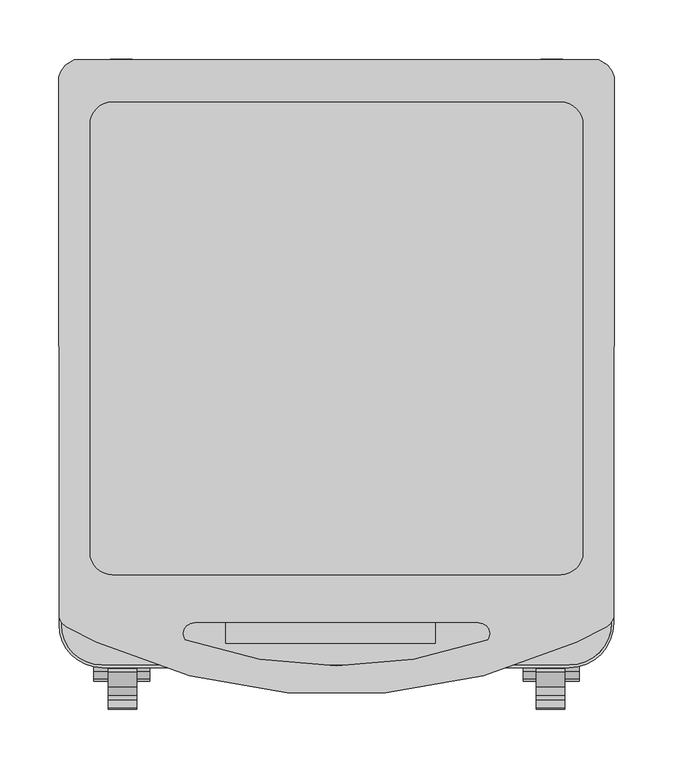
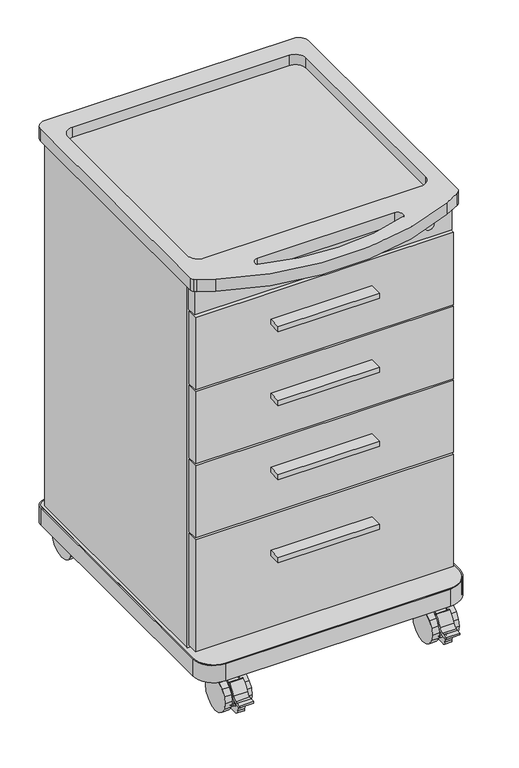
"""IFC4 building model written with IfcOpenShell, lengths in millimetres: furniture geometry."""

from ifc_helpers import new_model, si_unit, point, frame, frame_2d, origin, place, context, project, spatial, polyline, circle_curve, trimmed, segment, composite_curve, outline, extrude, source, transform, mapped, element, save
from ifc_brep_helpers import plane_surface, cylinder_surface, revolved_surface, advanced_brep


def furniture_c8209ec2(model_context):
    return source(origin(), model_context, "Body", "SolidModel", [
        extrude(outline(polyline([(83.7683943, -262.4708916), (-94.0316057, -262.4708916), (-94.0316057, -240.2458916), (83.7683943, -240.2458916), (83.7683943, -262.4708916)])), frame((0.0, 0.0, 662.6253971), z_axis=(0.0, 0.0, 1.0), x_axis=(1.0, 0.0, 0.0)), (0.0, 0.0, 1.0), 9.525),
        extrude(outline(polyline([(83.7683943, -262.4708916), (-94.0316057, -262.4708916), (-94.0316057, -240.2458916), (83.7683943, -240.2458916), (83.7683943, -262.4708916)])), frame((0.0, 0.0, 525.0844102), z_axis=(0.0, 0.0, 1.0), x_axis=(1.0, 0.0, 0.0)), (0.0, 0.0, 1.0), 9.525),
        extrude(outline(polyline([(83.7683943, -262.4708916), (-94.0316057, -262.4708916), (-94.0316057, -240.2458916), (83.7683943, -240.2458916), (83.7683943, -262.4708916)])), frame((0.0, 0.0, 387.5688214), z_axis=(0.0, 0.0, 1.0), x_axis=(1.0, 0.0, 0.0)), (0.0, 0.0, 1.0), 9.525),
        extrude(outline(polyline([(83.7683943, -262.4708916), (-94.0316057, -262.4708916), (-94.0316057, -240.2458916), (83.7683943, -240.2458916), (83.7683943, -262.4708916)])), frame((0.0, 0.0, 233.0859544), z_axis=(0.0, 0.0, 1.0), x_axis=(1.0, 0.0, 0.0)), (0.0, 0.0, 1.0), 9.525),
        extrude(outline(polyline([(-179.0994786, 219.6339896), (-180.6568326, 218.5933918), (-182.493839, 218.227989), (-184.3308635, 218.5933918), (-185.8882175, 219.6339896), (-186.9287972, 221.1913255), (-187.2942, 223.02835), (-186.9287972, 224.8653745), (-185.8882008, 226.422724), (-184.3308476, 227.4633148), (-182.4938432, 227.8287134), (-180.6568145, 227.4633082), (-179.099465, 226.4227118), (-178.058887, 224.8653715), (-177.6934885, 223.0283414), (-178.0588808, 221.1913255), (-179.0994786, 219.6339896)])), frame((0.0, 0.0, 64.4644836), z_axis=(0.0, 0.0, 1.0), x_axis=(1.0, 0.0, 0.0)), (0.0, 0.0, 1.0), 18.4394813),
        extrude(outline(polyline([(-179.5331367, 215.4912374), (-182.5867294, 214.8838435), (-185.6403221, 215.4912374), (-188.2290267, 217.2209647), (-189.9587358, 219.8096693), (-190.5661479, 222.8632438), (-189.9587358, 225.9168365), (-188.2290267, 228.5055411), (-185.6403221, 230.2352684), (-182.5867294, 230.8426623), (-179.5331367, 230.2352684), (-176.9444321, 228.5055411), (-175.214723, 225.9168365), (-174.6073109, 222.8632438), (-175.214723, 219.8096693), (-176.9444321, 217.2209647), (-179.5331367, 215.4912374)])), frame((0.0, 0.0, 42.749396), z_axis=(0.0, 0.0, 1.0), x_axis=(1.0, 0.0, 0.0)), (0.0, 0.0, 1.0), 21.7150876),
        extrude(outline(polyline([(231.0669235, 17.6956967), (176.8415253, 20.1710389), (173.7398433, 19.5510005), (172.2845905, 29.9669209), (174.5643932, 41.4282898), (181.166988, 51.5050866), (191.2307996, 58.3368189), (203.0283535, 60.6446177), (214.8543395, 58.3376546), (224.7952116, 51.6771827), (231.3835631, 41.6915095), (233.7329976, 30.0477231), (231.0669235, 17.6956967)])), frame((-191.9948397, 0.0, 0.0), z_axis=(1.0, 0.0, 0.0), x_axis=(0.0, 1.0, 0.0)), (0.0, 0.0, 1.0), 18.61527),
        extrude(outline(composite_curve([segment(polyline([(165.4137527, 15.3668888), (161.2879325, 29.389165), (160.8738953, 30.311933), (159.6567821, 31.3792302), (158.5488192, 31.6764368)]), True, "CONTINUOUS"), segment(trimmed(circle_curve(frame_2d((152.3525742, 65.2351803)), 34.125983), [point((158.5488192, 31.6764368))], [point((164.1098282, 33.1984873))], True, "CARTESIAN"), True, "CONTINUOUS"), segment(trimmed(circle_curve(frame_2d((159.3787246, 46.0900108)), 13.7322511), [point((164.1098282, 33.1984873))], [point((171.9941479, 40.6654544))], True, "CARTESIAN"), True, "CONTINUOUS"), segment(polyline([(171.9941479, 40.6654544), (170.8091849, 36.053247), (170.2344431, 31.7921728), (169.4784028, 30.0308182), (170.9047692, 20.6240886), (176.089609, 18.2169715), (179.2383449, 19.3801216), (188.5056208, 11.9747256), (187.7807559, 7.9109196), (180.0693261, 8.7502409), (171.2554201, 8.5984367), (170.2635475, 7.9968825), (165.8474834, 11.0963521), (165.4137527, 15.3668888)]), True, "CONTINUOUS")], self_intersect=False)), frame((-188.6020166, 0.0, 0.0), z_axis=(1.0, 0.0, 0.0), x_axis=(0.0, 1.0, 0.0)), (0.0, 0.0, 1.0), 12.1089134),
        extrude(outline(composite_curve([segment(trimmed(circle_curve(frame_2d((209.194744, 25.2798481)), 44.5006169), [point((168.076378, 42.2970418))], [point((181.2293533, 59.8954779))], False, "CARTESIAN"), True, "CONTINUOUS"), segment(trimmed(circle_curve(frame_2d((181.2293533, 57.3575877)), 2.5378903), [point((181.2293533, 59.8954779))], [point((183.7672435, 57.3575877))], False, "CARTESIAN"), True, "CONTINUOUS"), segment(trimmed(circle_curve(frame_2d((204.4798136, 30.3479474)), 34.0372036), [point((183.7672435, 57.3575877))], [point((172.3439025, 41.5646511))], True, "CARTESIAN"), True, "CONTINUOUS"), segment(trimmed(circle_curve(frame_2d((159.3787246, 46.0900108)), 13.7322511), [point((172.3439025, 41.5646511))], [point((164.1098282, 33.1984873))], False, "CARTESIAN"), True, "CONTINUOUS"), segment(trimmed(circle_curve(frame_2d((152.3525742, 65.2351803)), 34.125983), [point((164.1098282, 33.1984873))], [point((151.3259993, 31.1246414))], False, "CARTESIAN"), True, "CONTINUOUS"), segment(trimmed(circle_curve(frame_2d((151.7887278, 33.2391324)), 2.1645299), [point((151.3259993, 31.1246414))], [point((150.5701461, 35.0280563))], False, "CARTESIAN"), True, "CONTINUOUS"), segment(polyline([(150.5701461, 35.0280563), (157.4525006, 36.0478169), (161.3842622, 36.8186566)]), True, "CONTINUOUS"), segment(trimmed(circle_curve(frame_2d((159.6244174, 45.7949593)), 9.1471889), [point((161.3842622, 36.8186566))], [point((168.076378, 42.2970418))], True, "CARTESIAN"), True, "CONTINUOUS")], self_intersect=False)), frame((-193.7606684, 0.0, 0.0), z_axis=(1.0, 0.0, 0.0), x_axis=(0.0, 1.0, 0.0)), (0.0, 0.0, 1.0), 24.2623725),
        extrude(outline(polyline([(191.5804694, 2.2810114), (181.8597692, 8.7761847), (175.3645806, 18.4968985), (173.0837787, 29.9632624), (175.3645806, 41.4296251), (181.8597692, 51.150339), (191.5804694, 57.6455139), (203.046848, 59.9263158), (214.5132084, 57.6455139), (224.2339269, 51.150339), (230.7290973, 41.4296251), (233.0098992, 29.9632624), (230.7290973, 18.4968985), (224.2339269, 8.7761847), (214.5132084, 2.2810114), (203.046848, 0.0002098), (191.5804694, 2.2810114)])), frame((-171.1196031, 0.0, 0.0), z_axis=(1.0, 0.0, 0.0), x_axis=(0.0, 1.0, 0.0)), (0.0, 0.0, 1.0), 12.4101684),
        extrude(outline(polyline([(191.5804694, 2.2810114), (181.8597692, 8.7761847), (175.3645806, 18.4968985), (173.0837787, 29.9632624), (175.3645806, 41.4296251), (181.8597692, 51.150339), (191.5804694, 57.6455139), (203.046848, 59.9263158), (214.5132084, 57.6455139), (224.2339269, 51.150339), (230.7290973, 41.4296251), (233.0098992, 29.9632624), (230.7290973, 18.4968985), (224.2339269, 8.7761847), (214.5132084, 2.2810114), (203.046848, 0.0002098), (191.5804694, 2.2810114)])), frame((-206.088568, 0.0, 0.0), z_axis=(1.0, 0.0, 0.0), x_axis=(0.0, 1.0, 0.0)), (0.0, 0.0, 1.0), 12.3278995),
        extrude(outline(polyline([(179.0994786, 219.6339896), (178.0588808, 221.1913255), (177.6934885, 223.0283414), (178.058887, 224.8653715), (179.099465, 226.4227118), (180.6568145, 227.4633082), (182.4938432, 227.8287134), (184.3308476, 227.4633148), (185.8882008, 226.422724), (186.9287972, 224.8653745), (187.2942, 223.02835), (186.9287972, 221.1913255), (185.8882175, 219.6339896), (184.3308635, 218.5933918), (182.493839, 218.227989), (180.6568326, 218.5933918), (179.0994786, 219.6339896)])), frame((0.0, 0.0, 64.4644836), z_axis=(0.0, 0.0, 1.0), x_axis=(1.0, 0.0, 0.0)), (0.0, 0.0, 1.0), 18.4394813),
        extrude(outline(polyline([(179.5331367, 215.4912374), (176.9444321, 217.2209647), (175.214723, 219.8096693), (174.6073109, 222.8632438), (175.214723, 225.9168365), (176.9444321, 228.5055411), (179.5331367, 230.2352684), (182.5867294, 230.8426623), (185.6403221, 230.2352684), (188.2290267, 228.5055411), (189.9587358, 225.9168365), (190.5661479, 222.8632438), (189.9587358, 219.8096693), (188.2290267, 217.2209647), (185.6403221, 215.4912374), (182.5867294, 214.8838435), (179.5331367, 215.4912374)])), frame((0.0, 0.0, 42.749396), z_axis=(0.0, 0.0, 1.0), x_axis=(1.0, 0.0, 0.0)), (0.0, 0.0, 1.0), 21.7150876),
        extrude(outline(polyline([(231.0669235, 17.6956967), (176.8415253, 20.1710389), (173.7398433, 19.5510005), (172.2845905, 29.9669209), (174.5643932, 41.4282898), (181.166988, 51.5050866), (191.2307996, 58.3368189), (203.0283535, 60.6446177), (214.8543395, 58.3376546), (224.7952116, 51.6771827), (231.3835631, 41.6915095), (233.7329976, 30.0477231), (231.0669235, 17.6956967)])), frame((173.3795697, 0.0, 0.0), z_axis=(1.0, 0.0, 0.0), x_axis=(0.0, 1.0, 0.0)), (0.0, 0.0, 1.0), 18.61527),
        extrude(outline(composite_curve([segment(polyline([(165.4137527, 15.3668888), (161.2879325, 29.389165), (160.8738953, 30.311933), (159.6567821, 31.3792302), (158.5488192, 31.6764368)]), True, "CONTINUOUS"), segment(trimmed(circle_curve(frame_2d((152.3525742, 65.2351803)), 34.125983), [point((158.5488192, 31.6764368))], [point((164.1098282, 33.1984873))], True, "CARTESIAN"), True, "CONTINUOUS"), segment(trimmed(circle_curve(frame_2d((159.3787246, 46.0900108)), 13.7322511), [point((164.1098282, 33.1984873))], [point((171.9941479, 40.6654544))], True, "CARTESIAN"), True, "CONTINUOUS"), segment(polyline([(171.9941479, 40.6654544), (170.8091849, 36.053247), (170.2344431, 31.7921728), (169.4784028, 30.0308182), (170.9047692, 20.6240886), (176.089609, 18.2169715), (179.2383449, 19.3801216), (188.5056208, 11.9747256), (187.7807559, 7.9109196), (180.0693261, 8.7502409), (171.2554201, 8.5984367), (170.2635475, 7.9968825), (165.8474834, 11.0963521), (165.4137527, 15.3668888)]), True, "CONTINUOUS")], self_intersect=False)), frame((176.4931031, 0.0, 0.0), z_axis=(1.0, 0.0, 0.0), x_axis=(0.0, 1.0, 0.0)), (0.0, 0.0, 1.0), 12.1089134),
        extrude(outline(composite_curve([segment(trimmed(circle_curve(frame_2d((209.194744, 25.2798481)), 44.5006169), [point((168.076378, 42.2970418))], [point((181.2293533, 59.8954779))], False, "CARTESIAN"), True, "CONTINUOUS"), segment(trimmed(circle_curve(frame_2d((181.2293533, 57.3575877)), 2.5378903), [point((181.2293533, 59.8954779))], [point((183.7672435, 57.3575877))], False, "CARTESIAN"), True, "CONTINUOUS"), segment(trimmed(circle_curve(frame_2d((204.4798136, 30.3479474)), 34.0372036), [point((183.7672435, 57.3575877))], [point((172.3439025, 41.5646511))], True, "CARTESIAN"), True, "CONTINUOUS"), segment(trimmed(circle_curve(frame_2d((159.3787246, 46.0900108)), 13.7322511), [point((172.3439025, 41.5646511))], [point((164.1098282, 33.1984873))], False, "CARTESIAN"), True, "CONTINUOUS"), segment(trimmed(circle_curve(frame_2d((152.3525742, 65.2351803)), 34.125983), [point((164.1098282, 33.1984873))], [point((151.3259993, 31.1246414))], False, "CARTESIAN"), True, "CONTINUOUS"), segment(trimmed(circle_curve(frame_2d((151.7887278, 33.2391324)), 2.1645299), [point((151.3259993, 31.1246414))], [point((150.5701461, 35.0280563))], False, "CARTESIAN"), True, "CONTINUOUS"), segment(polyline([(150.5701461, 35.0280563), (157.4525006, 36.0478169), (161.3842622, 36.8186566)]), True, "CONTINUOUS"), segment(trimmed(circle_curve(frame_2d((159.6244174, 45.7949593)), 9.1471889), [point((161.3842622, 36.8186566))], [point((168.076378, 42.2970418))], True, "CARTESIAN"), True, "CONTINUOUS")], self_intersect=False)), frame((169.4982959, 0.0, 0.0), z_axis=(1.0, 0.0, 0.0), x_axis=(0.0, 1.0, 0.0)), (0.0, 0.0, 1.0), 24.2623725),
        extrude(outline(polyline([(191.5804694, 2.2810114), (181.8597692, 8.7761847), (175.3645806, 18.4968985), (173.0837787, 29.9632624), (175.3645806, 41.4296251), (181.8597692, 51.150339), (191.5804694, 57.6455139), (203.046848, 59.9263158), (214.5132084, 57.6455139), (224.2339269, 51.150339), (230.7290973, 41.4296251), (233.0098992, 29.9632624), (230.7290973, 18.4968985), (224.2339269, 8.7761847), (214.5132084, 2.2810114), (203.046848, 0.0002098), (191.5804694, 2.2810114)])), frame((158.7094347, 0.0, 0.0), z_axis=(1.0, 0.0, 0.0), x_axis=(0.0, 1.0, 0.0)), (0.0, 0.0, 1.0), 12.4101684),
        extrude(outline(polyline([(191.5804694, 2.2810114), (181.8597692, 8.7761847), (175.3645806, 18.4968985), (173.0837787, 29.9632624), (175.3645806, 41.4296251), (181.8597692, 51.150339), (191.5804694, 57.6455139), (203.046848, 59.9263158), (214.5132084, 57.6455139), (224.2339269, 51.150339), (230.7290973, 41.4296251), (233.0098992, 29.9632624), (230.7290973, 18.4968985), (224.2339269, 8.7761847), (214.5132084, 2.2810114), (203.046848, 0.0002098), (191.5804694, 2.2810114)])), frame((193.7606684, 0.0, 0.0), z_axis=(1.0, 0.0, 0.0), x_axis=(0.0, 1.0, 0.0)), (0.0, 0.0, 1.0), 12.3278995),
        extrude(outline(polyline([(179.0994786, -248.2925117), (178.0588808, -246.7351758), (177.6934885, -244.8981599), (178.058887, -243.0611298), (179.099465, -241.5037895), (180.6568145, -240.463193), (182.4938432, -240.0977879), (184.3308476, -240.4631865), (185.8882008, -241.5037773), (186.9287972, -243.0611268), (187.2942, -244.8981513), (186.9287972, -246.7351758), (185.8882175, -248.2925117), (184.3308635, -249.3331095), (182.493839, -249.6985123), (180.6568326, -249.3331095), (179.0994786, -248.2925117)])), frame((0.0, 0.0, 64.4644836), z_axis=(0.0, 0.0, 1.0), x_axis=(1.0, 0.0, 0.0)), (0.0, 0.0, 1.0), 18.4394813),
        extrude(outline(polyline([(179.5331367, -252.4352639), (176.9444321, -250.7055366), (175.214723, -248.116832), (174.6073109, -245.0632575), (175.214723, -242.0096648), (176.9444321, -239.4209601), (179.5331367, -237.6912329), (182.5867294, -237.083839), (185.6403221, -237.6912329), (188.2290267, -239.4209601), (189.9587358, -242.0096648), (190.5661479, -245.0632575), (189.9587358, -248.116832), (188.2290267, -250.7055366), (185.6403221, -252.4352639), (182.5867294, -253.0426578), (179.5331367, -252.4352639)])), frame((0.0, 0.0, 42.749396), z_axis=(0.0, 0.0, 1.0), x_axis=(1.0, 0.0, 0.0)), (0.0, 0.0, 1.0), 21.7150876),
        extrude(outline(polyline([(-236.8595778, 17.6956967), (-291.084976, 20.1710389), (-294.186658, 19.5510005), (-295.6419107, 29.9669209), (-293.362108, 41.4282898), (-286.7595132, 51.5050866), (-276.6957016, 58.3368189), (-264.8981478, 60.6446177), (-253.0721618, 58.3376546), (-243.1312896, 51.6771827), (-236.5429381, 41.6915095), (-234.1935037, 30.0477231), (-236.8595778, 17.6956967)])), frame((173.3795697, 0.0, 0.0), z_axis=(1.0, 0.0, 0.0), x_axis=(0.0, 1.0, 0.0)), (0.0, 0.0, 1.0), 18.61527),
        extrude(outline(composite_curve([segment(polyline([(-302.5127486, 15.3668888), (-306.6385687, 29.389165), (-307.052606, 30.311933), (-308.2697192, 31.3792302), (-309.3776821, 31.6764368)]), True, "CONTINUOUS"), segment(trimmed(circle_curve(frame_2d((-315.573927, 65.2351803)), 34.125983), [point((-309.3776821, 31.6764368))], [point((-303.816673, 33.1984873))], True, "CARTESIAN"), True, "CONTINUOUS"), segment(trimmed(circle_curve(frame_2d((-308.5477767, 46.0900108)), 13.7322511), [point((-303.816673, 33.1984873))], [point((-295.9323533, 40.6654544))], True, "CARTESIAN"), True, "CONTINUOUS"), segment(polyline([(-295.9323533, 40.6654544), (-297.1173164, 36.053247), (-297.6920581, 31.7921728), (-298.4480985, 30.0308182), (-297.021732, 20.6240886), (-291.8368923, 18.2169715), (-288.6881564, 19.3801216), (-279.4208805, 11.9747256), (-280.1457454, 7.9109196), (-287.8571752, 8.7502409), (-296.6710812, 8.5984367), (-297.6629538, 7.9968825), (-302.0790178, 11.0963521), (-302.5127486, 15.3668888)]), True, "CONTINUOUS")], self_intersect=False)), frame((176.4931031, 0.0, 0.0), z_axis=(1.0, 0.0, 0.0), x_axis=(0.0, 1.0, 0.0)), (0.0, 0.0, 1.0), 12.1089134),
        extrude(outline(composite_curve([segment(trimmed(circle_curve(frame_2d((-258.7317573, 25.2798481)), 44.5006169), [point((-299.8501233, 42.2970418))], [point((-286.697148, 59.8954779))], False, "CARTESIAN"), True, "CONTINUOUS"), segment(trimmed(circle_curve(frame_2d((-286.697148, 57.3575877)), 2.5378903), [point((-286.697148, 59.8954779))], [point((-284.1592577, 57.3575877))], False, "CARTESIAN"), True, "CONTINUOUS"), segment(trimmed(circle_curve(frame_2d((-263.4466876, 30.3479474)), 34.0372036), [point((-284.1592577, 57.3575877))], [point((-295.5825988, 41.5646511))], True, "CARTESIAN"), True, "CONTINUOUS"), segment(trimmed(circle_curve(frame_2d((-308.5477767, 46.0900108)), 13.7322511), [point((-295.5825988, 41.5646511))], [point((-303.816673, 33.1984873))], False, "CARTESIAN"), True, "CONTINUOUS"), segment(trimmed(circle_curve(frame_2d((-315.573927, 65.2351803)), 34.125983), [point((-303.816673, 33.1984873))], [point((-316.600502, 31.1246414))], False, "CARTESIAN"), True, "CONTINUOUS"), segment(trimmed(circle_curve(frame_2d((-316.1377734, 33.2391324)), 2.1645299), [point((-316.600502, 31.1246414))], [point((-317.3563551, 35.0280563))], False, "CARTESIAN"), True, "CONTINUOUS"), segment(polyline([(-317.3563551, 35.0280563), (-310.4740007, 36.0478169), (-306.542239, 36.8186566)]), True, "CONTINUOUS"), segment(trimmed(circle_curve(frame_2d((-308.3020839, 45.7949593)), 9.1471889), [point((-306.542239, 36.8186566))], [point((-299.8501233, 42.2970418))], True, "CARTESIAN"), True, "CONTINUOUS")], self_intersect=False)), frame((169.4982959, 0.0, 0.0), z_axis=(1.0, 0.0, 0.0), x_axis=(0.0, 1.0, 0.0)), (0.0, 0.0, 1.0), 24.2623725),
        extrude(outline(polyline([(-276.3460319, 2.2810114), (-286.0667321, 8.7761847), (-292.5619207, 18.4968985), (-294.8427226, 29.9632624), (-292.5619207, 41.4296251), (-286.0667321, 51.150339), (-276.3460319, 57.6455139), (-264.8796533, 59.9263158), (-253.4132928, 57.6455139), (-243.6925744, 51.150339), (-237.197404, 41.4296251), (-234.9166021, 29.9632624), (-237.197404, 18.4968985), (-243.6925744, 8.7761847), (-253.4132928, 2.2810114), (-264.8796533, 0.0002098), (-276.3460319, 2.2810114)])), frame((158.7094347, 0.0, 0.0), z_axis=(1.0, 0.0, 0.0), x_axis=(0.0, 1.0, 0.0)), (0.0, 0.0, 1.0), 12.4101684),
        extrude(outline(polyline([(-276.3460319, 2.2810114), (-286.0667321, 8.7761847), (-292.5619207, 18.4968985), (-294.8427226, 29.9632624), (-292.5619207, 41.4296251), (-286.0667321, 51.150339), (-276.3460319, 57.6455139), (-264.8796533, 59.9263158), (-253.4132928, 57.6455139), (-243.6925744, 51.150339), (-237.197404, 41.4296251), (-234.9166021, 29.9632624), (-237.197404, 18.4968985), (-243.6925744, 8.7761847), (-253.4132928, 2.2810114), (-264.8796533, 0.0002098), (-276.3460319, 2.2810114)])), frame((193.7606684, 0.0, 0.0), z_axis=(1.0, 0.0, 0.0), x_axis=(0.0, 1.0, 0.0)), (0.0, 0.0, 1.0), 12.3278995),
        extrude(outline(polyline([(-179.0994786, -248.2925117), (-180.6568326, -249.3331095), (-182.493839, -249.6985123), (-184.3308635, -249.3331095), (-185.8882175, -248.2925117), (-186.9287972, -246.7351758), (-187.2942, -244.8981513), (-186.9287972, -243.0611268), (-185.8882008, -241.5037773), (-184.3308476, -240.4631865), (-182.4938432, -240.0977879), (-180.6568145, -240.463193), (-179.099465, -241.5037895), (-178.058887, -243.0611298), (-177.6934885, -244.8981599), (-178.0588808, -246.7351758), (-179.0994786, -248.2925117)])), frame((0.0, 0.0, 64.4644836), z_axis=(0.0, 0.0, 1.0), x_axis=(1.0, 0.0, 0.0)), (0.0, 0.0, 1.0), 18.4394813),
        extrude(outline(polyline([(-179.5331367, -252.4352639), (-182.5867294, -253.0426578), (-185.6403221, -252.4352639), (-188.2290267, -250.7055366), (-189.9587358, -248.116832), (-190.5661479, -245.0632575), (-189.9587358, -242.0096648), (-188.2290267, -239.4209601), (-185.6403221, -237.6912329), (-182.5867294, -237.083839), (-179.5331367, -237.6912329), (-176.9444321, -239.4209601), (-175.214723, -242.0096648), (-174.6073109, -245.0632575), (-175.214723, -248.116832), (-176.9444321, -250.7055366), (-179.5331367, -252.4352639)])), frame((0.0, 0.0, 42.749396), z_axis=(0.0, 0.0, 1.0), x_axis=(1.0, 0.0, 0.0)), (0.0, 0.0, 1.0), 21.7150876),
        extrude(outline(polyline([(-236.8595778, 17.6956967), (-291.084976, 20.1710389), (-294.186658, 19.5510005), (-295.6419107, 29.9669209), (-293.362108, 41.4282898), (-286.7595132, 51.5050866), (-276.6957016, 58.3368189), (-264.8981478, 60.6446177), (-253.0721618, 58.3376546), (-243.1312896, 51.6771827), (-236.5429381, 41.6915095), (-234.1935037, 30.0477231), (-236.8595778, 17.6956967)])), frame((-191.9948397, 0.0, 0.0), z_axis=(1.0, 0.0, 0.0), x_axis=(0.0, 1.0, 0.0)), (0.0, 0.0, 1.0), 18.61527),
        extrude(outline(composite_curve([segment(polyline([(-302.5127486, 15.3668888), (-306.6385687, 29.389165), (-307.052606, 30.311933), (-308.2697192, 31.3792302), (-309.3776821, 31.6764368)]), True, "CONTINUOUS"), segment(trimmed(circle_curve(frame_2d((-315.573927, 65.2351803)), 34.125983), [point((-309.3776821, 31.6764368))], [point((-303.816673, 33.1984873))], True, "CARTESIAN"), True, "CONTINUOUS"), segment(trimmed(circle_curve(frame_2d((-308.5477767, 46.0900108)), 13.7322511), [point((-303.816673, 33.1984873))], [point((-295.9323533, 40.6654544))], True, "CARTESIAN"), True, "CONTINUOUS"), segment(polyline([(-295.9323533, 40.6654544), (-297.1173164, 36.053247), (-297.6920581, 31.7921728), (-298.4480985, 30.0308182), (-297.021732, 20.6240886), (-291.8368923, 18.2169715), (-288.6881564, 19.3801216), (-279.4208805, 11.9747256), (-280.1457454, 7.9109196), (-287.8571752, 8.7502409), (-296.6710812, 8.5984367), (-297.6629538, 7.9968825), (-302.0790178, 11.0963521), (-302.5127486, 15.3668888)]), True, "CONTINUOUS")], self_intersect=False)), frame((-188.6020166, 0.0, 0.0), z_axis=(1.0, 0.0, 0.0), x_axis=(0.0, 1.0, 0.0)), (0.0, 0.0, 1.0), 12.1089134),
        extrude(outline(composite_curve([segment(trimmed(circle_curve(frame_2d((-258.7317573, 25.2798481)), 44.5006169), [point((-299.8501233, 42.2970418))], [point((-286.697148, 59.8954779))], False, "CARTESIAN"), True, "CONTINUOUS"), segment(trimmed(circle_curve(frame_2d((-286.697148, 57.3575877)), 2.5378903), [point((-286.697148, 59.8954779))], [point((-284.1592577, 57.3575877))], False, "CARTESIAN"), True, "CONTINUOUS"), segment(trimmed(circle_curve(frame_2d((-263.4466876, 30.3479474)), 34.0372036), [point((-284.1592577, 57.3575877))], [point((-295.5825988, 41.5646511))], True, "CARTESIAN"), True, "CONTINUOUS"), segment(trimmed(circle_curve(frame_2d((-308.5477767, 46.0900108)), 13.7322511), [point((-295.5825988, 41.5646511))], [point((-303.816673, 33.1984873))], False, "CARTESIAN"), True, "CONTINUOUS"), segment(trimmed(circle_curve(frame_2d((-315.573927, 65.2351803)), 34.125983), [point((-303.816673, 33.1984873))], [point((-316.600502, 31.1246414))], False, "CARTESIAN"), True, "CONTINUOUS"), segment(trimmed(circle_curve(frame_2d((-316.1377734, 33.2391324)), 2.1645299), [point((-316.600502, 31.1246414))], [point((-317.3563551, 35.0280563))], False, "CARTESIAN"), True, "CONTINUOUS"), segment(polyline([(-317.3563551, 35.0280563), (-310.4740007, 36.0478169), (-306.542239, 36.8186566)]), True, "CONTINUOUS"), segment(trimmed(circle_curve(frame_2d((-308.3020839, 45.7949593)), 9.1471889), [point((-306.542239, 36.8186566))], [point((-299.8501233, 42.2970418))], True, "CARTESIAN"), True, "CONTINUOUS")], self_intersect=False)), frame((-193.7606684, 0.0, 0.0), z_axis=(1.0, 0.0, 0.0), x_axis=(0.0, 1.0, 0.0)), (0.0, 0.0, 1.0), 24.2623725),
        extrude(outline(polyline([(-276.3460319, 2.2810114), (-286.0667321, 8.7761847), (-292.5619207, 18.4968985), (-294.8427226, 29.9632624), (-292.5619207, 41.4296251), (-286.0667321, 51.150339), (-276.3460319, 57.6455139), (-264.8796533, 59.9263158), (-253.4132928, 57.6455139), (-243.6925744, 51.150339), (-237.197404, 41.4296251), (-234.9166021, 29.9632624), (-237.197404, 18.4968985), (-243.6925744, 8.7761847), (-253.4132928, 2.2810114), (-264.8796533, 0.0002098), (-276.3460319, 2.2810114)])), frame((-171.1196031, 0.0, 0.0), z_axis=(1.0, 0.0, 0.0), x_axis=(0.0, 1.0, 0.0)), (0.0, 0.0, 1.0), 12.4101684),
        extrude(outline(polyline([(-276.3460319, 2.2810114), (-286.0667321, 8.7761847), (-292.5619207, 18.4968985), (-294.8427226, 29.9632624), (-292.5619207, 41.4296251), (-286.0667321, 51.150339), (-276.3460319, 57.6455139), (-264.8796533, 59.9263158), (-253.4132928, 57.6455139), (-243.6925744, 51.150339), (-237.197404, 41.4296251), (-234.9166021, 29.9632624), (-237.197404, 18.4968985), (-243.6925744, 8.7761847), (-253.4132928, 2.2810114), (-264.8796533, 0.0002098), (-276.3460319, 2.2810114)])), frame((-206.088568, 0.0, 0.0), z_axis=(1.0, 0.0, 0.0), x_axis=(0.0, 1.0, 0.0)), (0.0, 0.0, 1.0), 12.3278995),
        extrude(outline(composite_curve([segment(trimmed(circle_curve(frame_2d((746.9300103, 186.5091543)), 8.382), [point((746.9300103, 178.1271543))], [point((746.9300103, 194.8911543))], False, "CARTESIAN"), True, "CONTINUOUS"), segment(trimmed(circle_curve(frame_2d((746.9300103, 186.5091543)), 8.382), [point((746.9300103, 194.8911543))], [point((746.9300103, 178.1271543))], False, "CARTESIAN"), True, "CONTINUOUS")], self_intersect=False)), frame((0.0, -237.5980155, 0.0), z_axis=(0.0, 1.0, 0.0), x_axis=(0.0, 0.0, 1.0)), (0.0, 0.0, 1.0), 0.5271117),
        extrude(outline(composite_curve([segment(trimmed(circle_curve(frame_2d((-97.7976643, 139.8056016)), 15.7703492), [point((-113.5680134, 139.8056016))], [point((-97.7976643, 155.5759508))], False, "CARTESIAN"), True, "CONTINUOUS"), segment(polyline([(-97.7976643, 155.5759508), (97.3477006, 155.5759508)]), True, "CONTINUOUS"), segment(trimmed(circle_curve(frame_2d((97.3477006, 139.3556379)), 16.2203129), [point((97.3477006, 155.5759508))], [point((113.5680134, 139.3556379))], False, "CARTESIAN"), True, "CONTINUOUS"), segment(polyline([(113.5680134, 139.3556379), (113.5680134, -130.1759508)]), True, "CONTINUOUS"), segment(trimmed(circle_curve(frame_2d((88.1680134, -130.1759508)), 25.4), [point((113.5680134, -130.1759508))], [point((88.1680134, -155.5759508))], False, "CARTESIAN"), True, "CONTINUOUS"), segment(polyline([(88.1680134, -155.5759508), (-88.1680134, -155.5759508)]), True, "CONTINUOUS"), segment(trimmed(circle_curve(frame_2d((-88.1680134, -130.1759508)), 25.4), [point((-88.1680134, -155.5759508))], [point((-113.5680134, -130.1759508))], False, "CARTESIAN"), True, "CONTINUOUS"), segment(polyline([(-113.5680134, -130.1759508), (-113.5680134, 139.8056016)]), True, "CONTINUOUS")], self_intersect=False)), frame((0.0, 0.0, 52.5399919), z_axis=(0.0, 0.0, 1.0), x_axis=(1.0, 0.0, 0.0)), (0.0, 0.0, 1.0), 42.1969308),
        extrude(outline(composite_curve([segment(trimmed(circle_curve(frame_2d((217.9321389, 215.3306945)), 15.4970016), [point((217.9321389, 230.8276961))], [point((233.4291405, 215.3306945))], False, "CARTESIAN"), True, "CONTINUOUS"), segment(polyline([(233.4291405, 215.3306945), (233.4291405, -244.9743339)]), True, "CONTINUOUS"), segment(trimmed(circle_curve(frame_2d((197.5695282, -244.9743339)), 35.8596123), [point((233.4291405, -244.9743339))], [point((197.5695282, -280.8339461))], False, "CARTESIAN"), True, "CONTINUOUS"), segment(polyline([(197.5695282, -280.8339461), (-199.1290398, -280.8339461)]), True, "CONTINUOUS"), segment(trimmed(circle_curve(frame_2d((-199.1290398, -246.5338454)), 34.3001007), [point((-199.1290398, -280.8339461))], [point((-233.4291405, -246.5338454))], False, "CARTESIAN"), True, "CONTINUOUS"), segment(polyline([(-233.4291405, -246.5338454), (-233.4291405, 215.9990939)]), True, "CONTINUOUS"), segment(trimmed(circle_curve(frame_2d((-218.6005383, 215.9990939)), 14.8286022), [point((-233.4291405, 215.9990939))], [point((-218.6005383, 230.8276961))], False, "CARTESIAN"), True, "CONTINUOUS"), segment(polyline([(-218.6005383, 230.8276961), (217.9321389, 230.8276961)]), True, "CONTINUOUS")], self_intersect=False)), frame((0.0, 0.0, 90.0207047), z_axis=(0.0, 0.0, 1.0), x_axis=(1.0, 0.0, 0.0)), (0.0, 0.0, 1.0), 4.716218),
        extrude(outline(composite_curve([segment(trimmed(circle_curve(frame_2d((217.7362, 215.3306945)), 17.7830016), [point((217.7362, 233.1136961))], [point((235.5192016, 215.3306945))], False, "CARTESIAN"), True, "CONTINUOUS"), segment(polyline([(235.5192016, 215.3306945), (235.5192016, -245.0199461)]), True, "CONTINUOUS"), segment(trimmed(circle_curve(frame_2d((197.4192016, -245.0199461)), 38.1), [point((235.5192016, -245.0199461))], [point((197.4192016, -283.1199461))], False, "CARTESIAN"), True, "CONTINUOUS"), segment(polyline([(197.4192016, -283.1199461), (-198.9331009, -283.1199461)]), True, "CONTINUOUS"), segment(trimmed(circle_curve(frame_2d((-198.9331009, -246.5338454)), 36.5861007), [point((-198.9331009, -283.1199461))], [point((-235.5192016, -246.5338454))], False, "CARTESIAN"), True, "CONTINUOUS"), segment(polyline([(-235.5192016, -246.5338454), (-235.5192016, 215.9990939)]), True, "CONTINUOUS"), segment(trimmed(circle_curve(frame_2d((-218.4045994, 215.9990939)), 17.1146022), [point((-235.5192016, 215.9990939))], [point((-218.4045994, 233.1136961))], False, "CARTESIAN"), True, "CONTINUOUS"), segment(polyline([(-218.4045994, 233.1136961), (217.7362, 233.1136961)]), True, "CONTINUOUS")], self_intersect=False), holes=[composite_curve([segment(polyline([(-233.4291405, 215.9990939), (-233.4291405, -246.5338454)]), True, "CONTINUOUS"), segment(trimmed(circle_curve(frame_2d((-199.1290398, -246.5338454)), 34.3001007), [point((-233.4291405, -246.5338454))], [point((-199.1290398, -280.8339461))], True, "CARTESIAN"), True, "CONTINUOUS"), segment(polyline([(-199.1290398, -280.8339461), (197.6151405, -280.8339461)]), True, "CONTINUOUS"), segment(trimmed(circle_curve(frame_2d((197.6151405, -245.0199461)), 35.814), [point((197.6151405, -280.8339461))], [point((233.4291405, -245.0199461))], True, "CARTESIAN"), True, "CONTINUOUS"), segment(polyline([(233.4291405, -245.0199461), (233.4291405, 215.3306945)]), True, "CONTINUOUS"), segment(trimmed(circle_curve(frame_2d((217.9321389, 215.3306945)), 15.4970016), [point((233.4291405, 215.3306945))], [point((217.9321389, 230.8276961))], True, "CARTESIAN"), True, "CONTINUOUS"), segment(polyline([(217.9321389, 230.8276961), (-218.6005383, 230.8276961)]), True, "CONTINUOUS"), segment(trimmed(circle_curve(frame_2d((-218.6005383, 215.9990939)), 14.8286022), [point((-218.6005383, 230.8276961))], [point((-233.4291405, 215.9990939))], True, "CARTESIAN"), True, "CONTINUOUS")], self_intersect=False)]), frame((0.0, 0.0, 62.9873141), z_axis=(0.0, 0.0, 1.0), x_axis=(1.0, 0.0, 0.0)), (0.0, 0.0, 1.0), 31.7496086),
        advanced_brep(
        [(222.5931901, 233.1136961, 775.8633253), (230.3587771, 228.3483075, 775.8633253), (234.1839615, 222.9955637, 775.8633253), (235.7365193, 218.0941551, 775.8633253), (235.4400586, -238.9696138, 775.8633253), (232.8264801, -245.3947515, 775.8633253), (229.6595647, -248.6509927, 775.8633253), (203.659462, -261.5116539, 775.8633253), (-203.659462, -261.5116539, 775.8633253), (-229.6595647, -248.6509927, 775.8633253), (-232.8264801, -245.3947515, 775.8633253), (-235.4380984, -238.969632, 775.8633253), (-235.7355201, 218.0897949, 775.8633253), (-234.1839615, 222.9955637, 775.8633253), (-230.3587771, 228.3483075, 775.8633253), (-222.5552018, 233.1136961, 775.8633253), (120.4570467, -245.147214, 775.8633253), (-120.4570467, -245.147214, 775.8633253), (-128.6356265, -259.5544735, 775.8633253), (128.6356265, -259.5544735, 775.8633253), (222.5931901, 233.1136961, 798.0685557), (-222.5552018, 233.1136961, 798.0685557), (-230.3587771, 228.3483075, 798.0685557), (-234.1839615, 222.9955637, 798.0685557), (-235.7355201, 218.0897949, 798.0685557), (-235.4380984, -238.969632, 798.0685557), (-232.8264801, -245.3947515, 798.0685557), (-229.6595647, -248.6509927, 798.0685557), (-203.659462, -261.5116539, 798.0685557), (203.659462, -261.5116539, 798.0685557), (229.6595647, -248.6509927, 798.0685557), (232.8264801, -245.3947515, 798.0685557), (235.4380984, -238.9696126, 798.0685557), (235.7365193, 218.0941551, 798.0685557), (234.1839615, 222.9955637, 798.0685557), (230.3587771, 228.3483075, 798.0685557), (-120.4570467, -245.147214, 798.0685557), (120.4570467, -245.147214, 798.0685557), (128.6356265, -259.5544735, 798.0685557), (-128.6356265, -259.5544735, 798.0685557), (209.2959821, 178.0158965, 798.0685557), (209.2959821, -185.1596446, 798.0685557), (190.245983, -204.2096437, 798.0685557), (-190.2562209, -204.2096437, 798.0685557), (-209.2959821, -185.1596465, 798.0685557), (-209.2959821, 178.0158965, 798.0685557), (-190.2459821, 197.0658965, 798.0685557), (190.2459821, 197.0658965, 798.0685557), (209.2959821, 178.0158965, 779.0173892), (190.2459821, 197.0658965, 779.0173892), (-190.2459821, 197.0658965, 779.0173892), (-209.2959821, 178.0158965, 779.0173892), (-209.2959821, -185.1596465, 779.0173892), (-190.2562209, -204.2096437, 779.0173892), (190.245983, -204.2096437, 779.0173892), (209.2959821, -185.1596446, 779.0173892)],
        [
            (0, 1),
            (1, 2),
            (2, 3),
            (3, 4),
            (4, 5, circle_curve(frame((226.2139627, -238.9636296, 775.8633253), z_axis=(0.0, 0.0, -1.0), x_axis=(1.0, 0.0, 0.0)), 9.2241377)),
            (5, 6),
            (6, 7),
            (7, 8, circle_curve(frame((0.0, 179.029615, 775.8633253), z_axis=(0.0, 0.0, -1.0), x_axis=(1.0, 0.0, 0.0)), 485.3388364)),
            (8, 9),
            (9, 10),
            (10, 11, circle_curve(frame((-226.2139627, -238.9636296, 775.8633253), z_axis=(0.0, 0.0, -1.0), x_axis=(1.0, 0.0, 0.0)), 9.2241377)),
            (11, 12),
            (12, 13),
            (13, 14),
            (14, 15),
            (15, 0),
            (16, 17),
            (17, 18, circle_curve(frame((-120.4570467, -254.672214, 775.8633253), z_axis=(0.0, 0.0, 1.0), x_axis=(1.0, 0.0, 0.0)), 9.525)),
            (18, 19, circle_curve(frame((0.0, 101.9789974, 775.8633253), z_axis=(0.0, 0.0, 1.0), x_axis=(1.0, 0.0, 0.0)), 383.7363352)),
            (19, 16, circle_curve(frame((120.4570467, -254.672214, 775.8633253), z_axis=(0.0, 0.0, 1.0), x_axis=(1.0, 0.0, 0.0)), 9.525)),
            (20, 21),
            (21, 22),
            (22, 23),
            (23, 24),
            (24, 25),
            (25, 26, circle_curve(frame((-226.2139627, -238.9636296, 798.0685557), z_axis=(0.0, 0.0, 1.0), x_axis=(1.0, 0.0, 0.0)), 9.2241377)),
            (26, 27),
            (27, 28),
            (28, 29, circle_curve(frame((0.0, 179.029615, 798.0685557), z_axis=(0.0, 0.0, 1.0), x_axis=(1.0, 0.0, 0.0)), 485.3388364)),
            (29, 30),
            (30, 31),
            (31, 32, circle_curve(frame((226.2139627, -238.9636296, 798.0685557), z_axis=(0.0, 0.0, 1.0), x_axis=(1.0, 0.0, 0.0)), 9.2241377)),
            (32, 33),
            (33, 34),
            (34, 35),
            (35, 20),
            (36, 37),
            (37, 38, circle_curve(frame((120.4570467, -254.672214, 798.0685557), z_axis=(0.0, 0.0, -1.0), x_axis=(1.0, 0.0, 0.0)), 9.525)),
            (38, 39, circle_curve(frame((0.0, 101.9789974, 798.0685557), z_axis=(0.0, 0.0, -1.0), x_axis=(1.0, 0.0, 0.0)), 383.7363352)),
            (39, 36, circle_curve(frame((-120.4570467, -254.672214, 798.0685557), z_axis=(0.0, 0.0, -1.0), x_axis=(1.0, 0.0, 0.0)), 9.525)),
            (40, 41),
            (41, 42, circle_curve(frame((190.245983, -185.1596446, 798.0685557), z_axis=(0.0, 0.0, -1.0), x_axis=(1.0, 0.0, 0.0)), 19.0499991)),
            (42, 43),
            (43, 44, circle_curve(frame((-190.2459821, -185.1596465, 798.0685557), z_axis=(0.0, 0.0, -1.0), x_axis=(1.0, 0.0, 0.0)), 19.05)),
            (44, 45),
            (45, 46, circle_curve(frame((-190.2459821, 178.0158965, 798.0685557), z_axis=(0.0, 0.0, -1.0), x_axis=(1.0, 0.0, 0.0)), 19.05)),
            (46, 47),
            (47, 40, circle_curve(frame((190.2459821, 178.0158965, 798.0685557), z_axis=(0.0, 0.0, -1.0), x_axis=(1.0, 0.0, 0.0)), 19.05)),
            (15, 21),
            (20, 0),
            (14, 22),
            (13, 23),
            (12, 24),
            (11, 25),
            (10, 26),
            (9, 27),
            (8, 28),
            (7, 29),
            (6, 30),
            (5, 31),
            (4, 32),
            (3, 33),
            (2, 34),
            (1, 35),
            (36, 17),
            (16, 37),
            (39, 18),
            (38, 19),
            (48, 49, circle_curve(frame((190.2459821, 178.0158965, 779.0173892), z_axis=(0.0, 0.0, 1.0), x_axis=(1.0, 0.0, 0.0)), 19.05)),
            (49, 50),
            (50, 51, circle_curve(frame((-190.2459821, 178.0158965, 779.0173892), z_axis=(0.0, 0.0, 1.0), x_axis=(1.0, 0.0, 0.0)), 19.05)),
            (51, 52),
            (52, 53, circle_curve(frame((-190.2459821, -185.1596465, 779.0173892), z_axis=(0.0, 0.0, 1.0), x_axis=(1.0, 0.0, 0.0)), 19.05)),
            (53, 54),
            (54, 55, circle_curve(frame((190.245983, -185.1596446, 779.0173892), z_axis=(0.0, 0.0, 1.0), x_axis=(1.0, 0.0, 0.0)), 19.0499991)),
            (55, 48),
            (55, 41),
            (40, 48),
            (49, 47),
            (46, 50),
            (51, 45),
            (44, 52),
            (43, 53),
            (42, 54),
        ],
        [
            plane_surface(frame((-222.5552018, 233.1136961, 775.8633253), z_axis=(0.0, 0.0, -1.0), x_axis=(1.0, 0.0, 0.0))),
            plane_surface(frame((-222.5552018, 233.1136961, 798.0685557), z_axis=(0.0, 0.0, 1.0), x_axis=(-1.0, 0.0, 0.0))),
            plane_surface(frame((222.5931901, 233.1136961, 798.0685557), z_axis=(0.0, 1.0, 0.0), x_axis=(0.0, 0.0, -1.0))),
            plane_surface(frame((-222.5552018, 233.1136961, 798.0685557), z_axis=(-0.5211742338953517, 0.853450301964674, 0.0), x_axis=(0.0, 0.0, -1.0))),
            plane_surface(frame((-230.3587771, 228.3483075, 798.0685557), z_axis=(-0.8136043362647492, 0.5814189401895994, 0.0), x_axis=(0.0, 0.0, -1.0))),
            plane_surface(frame((-234.1839615, 222.9955637, 798.0685557), z_axis=(-0.9534503911094768, 0.30154991575721923, 0.0), x_axis=(0.0, 0.0, -1.0))),
            plane_surface(frame((-235.7355201, 218.0897949, 798.0685557), z_axis=(-0.9999997882761255, -0.0006507285950040101, 0.0), x_axis=(0.0, 0.0, -1.0))),
            cylinder_surface(frame((-226.2139627, -238.9636296, 775.8633253), z_axis=(0.0, 0.0, 1.0), x_axis=(1.0, 0.0, 0.0)), 9.2241377),
            plane_surface(frame((-232.8264801, -245.3947515, 798.0685557), z_axis=(-0.7168710707876679, -0.6972057571963549, 0.0), x_axis=(0.0, 0.0, -1.0))),
            plane_surface(frame((-229.6595647, -248.6509927, 798.0685557), z_axis=(-0.44336513879276845, -0.8963410922764109, 0.0), x_axis=(0.0, 0.0, -1.0))),
            cylinder_surface(frame((0.0, 179.029615, 775.8633253), z_axis=(0.0, 0.0, 1.0), x_axis=(1.0, 0.0, 0.0)), 485.3388364),
            plane_surface(frame((203.659462, -261.5116539, 798.0685557), z_axis=(0.44336513879277206, -0.896341092276409, 0.0), x_axis=(0.0, 0.0, -1.0))),
            plane_surface(frame((229.6595647, -248.6509927, 798.0685557), z_axis=(0.7168710707876674, -0.6972057571963554, 0.0), x_axis=(0.0, 0.0, -1.0))),
            cylinder_surface(frame((226.2139627, -238.9636296, 775.8633253), z_axis=(0.0, 0.0, 1.0), x_axis=(1.0, 0.0, 0.0)), 9.2241377),
            plane_surface(frame((235.4400586, -238.9696138, 798.0685557), z_axis=(0.9999997896460948, -0.0006486198934122751, 0.0), x_axis=(0.0, 0.0, -1.0))),
            plane_surface(frame((235.7365193, 218.0941551, 798.0685557), z_axis=(0.9533173061382403, 0.3019703856627812, 0.0), x_axis=(0.0, 0.0, -1.0))),
            plane_surface(frame((234.1839615, 222.9955637, 798.0685557), z_axis=(0.8136043362647541, 0.5814189401895926, 0.0), x_axis=(0.0, 0.0, -1.0))),
            plane_surface(frame((230.3587771, 228.3483075, 798.0685557), z_axis=(0.5230275447281412, 0.8523157791896454, 0.0), x_axis=(0.0, 0.0, -1.0))),
            plane_surface(frame((120.4570467, -245.147214, 798.0685557), z_axis=(0.0, -1.0, 0.0), x_axis=(0.0, 0.0, -1.0))),
            revolved_surface(polyline([(-110.9320467, -254.672214, 798.0685557), (-110.9320467, -254.672214, 775.8633253)]), (-120.4570467, -254.672214, 775.8633253), (0.0, 0.0, 1.0)),
            revolved_surface(polyline([(383.7363352, 101.9789974, 798.0685557), (383.7363352, 101.9789974, 775.8633253)]), (0.0, 101.9789974, 775.8633253), (0.0, 0.0, 1.0)),
            revolved_surface(polyline([(129.9820467, -254.672214, 798.0685557), (129.9820467, -254.672214, 775.8633253)]), (120.4570467, -254.672214, 775.8633253), (0.0, 0.0, 1.0)),
            plane_surface(frame((209.2959821, 178.0158965, 779.0173892), z_axis=(0.0, 0.0, 1.0), x_axis=(0.0, -1.0, 0.0))),
            plane_surface(frame((209.2959821, -185.1596446, 798.0685557), z_axis=(-1.0, 0.0, 0.0), x_axis=(0.0, 0.0, -1.0))),
            plane_surface(frame((190.2459821, 197.0658965, 798.0685557), z_axis=(0.0, -1.0, 0.0), x_axis=(0.0, 0.0, -1.0))),
            plane_surface(frame((-209.2959821, 178.0158965, 798.0685557), z_axis=(1.0, 0.0, 0.0), x_axis=(0.0, 0.0, -1.0))),
            revolved_surface(polyline([(209.2959821, 178.0158965, 798.0685557), (209.2959821, 178.0158965, 779.0173892)]), (190.2459821, 178.0158965, 779.0173892), (0.0, 0.0, 1.0)),
            revolved_surface(polyline([(-171.19598209999998, 178.0158965, 798.0685557), (-171.19598209999998, 178.0158965, 779.0173892)]), (-190.2459821, 178.0158965, 779.0173892), (0.0, 0.0, 1.0)),
            revolved_surface(polyline([(-171.19598209999998, -185.1596465, 798.0685557), (-171.19598209999998, -185.1596465, 779.0173892)]), (-190.2459821, -185.1596465, 779.0173892), (0.0, 0.0, 1.0)),
            plane_surface(frame((-190.2562209, -204.2096437, 798.0685557), z_axis=(0.0, 1.0, 0.0), x_axis=(0.0, 0.0, -1.0))),
            revolved_surface(polyline([(209.2959821, -185.1596446, 798.0685557), (209.2959821, -185.1596446, 779.0173892)]), (190.245983, -185.1596446, 779.0173892), (0.0, 0.0, 1.0)),
        ],
        [
            (0, [[1, 2, 3, 4, 5, 6, 7, 8, 9, 10, 11, 12, 13, 14, 15, 16], [17, 18, 19, 20]]),
            (1, [[21, 22, 23, 24, 25, 26, 27, 28, 29, 30, 31, 32, 33, 34, 35, 36], [37, 38, 39, 40], [41, 42, 43, 44, 45, 46, 47, 48]]),
            (2, [[-16, 49, -21, 50]]),
            (3, [[-15, 51, -22, -49]]),
            (4, [[-14, 52, -23, -51]]),
            (5, [[-13, 53, -24, -52]]),
            (6, [[-12, 54, -25, -53]]),
            (7, [[-11, 55, -26, -54]]),
            (8, [[-10, 56, -27, -55]]),
            (9, [[-9, 57, -28, -56]]),
            (10, [[-8, 58, -29, -57]]),
            (11, [[-7, 59, -30, -58]]),
            (12, [[-6, 60, -31, -59]]),
            (13, [[-5, 61, -32, -60]]),
            (14, [[-4, 62, -33, -61]]),
            (15, [[-3, 63, -34, -62]]),
            (16, [[-2, 64, -35, -63]]),
            (17, [[-1, -50, -36, -64]]),
            (18, [[65, -17, 66, -37]]),
            (19, [[-65, -40, 67, -18]]),
            (20, [[-67, -39, 68, -19]]),
            (21, [[-66, -20, -68, -38]]),
            (22, [[69, 70, 71, 72, 73, 74, 75, 76]]),
            (23, [[-76, 77, -41, 78]]),
            (24, [[-70, 79, -47, 80]]),
            (25, [[-72, 81, -45, 82]]),
            (26, [[-69, -78, -48, -79]]),
            (27, [[-71, -80, -46, -81]]),
            (28, [[-73, -82, -44, 83]]),
            (29, [[-74, -83, -43, 84]]),
            (30, [[-75, -84, -42, -77]]),
        ],
    ),
        extrude(outline(polyline([(226.7076918, -221.2467061), (226.7076918, -240.2458916), (-226.7076918, -240.2458916), (-226.7076918, -221.2467061), (226.7076918, -221.2467061)])), frame((0.0, 0.0, 101.0869166), z_axis=(0.0, 0.0, 1.0), x_axis=(1.0, 0.0, 0.0)), (0.0, 0.0, 1.0), 208.1276032),
        extrude(outline(polyline([(226.7076918, -221.2467061), (226.7076918, -240.2458916), (-226.7076918, -240.2458916), (-226.7076918, -221.2467061), (226.7076918, -221.2467061)])), frame((0.0, 0.0, 587.4461197), z_axis=(0.0, 0.0, 1.0), x_axis=(1.0, 0.0, 0.0)), (0.0, 0.0, 1.0), 134.365999),
        extrude(outline(polyline([(226.7076918, -221.2467061), (226.7076918, -240.2458916), (-226.7076918, -240.2458916), (-226.7076918, -221.2467061), (226.7076918, -221.2467061)])), frame((0.0, 0.0, 449.9051328), z_axis=(0.0, 0.0, 1.0), x_axis=(1.0, 0.0, 0.0)), (0.0, 0.0, 1.0), 134.365999),
        extrude(outline(polyline([(226.7076918, -221.2467061), (226.7076918, -240.2458916), (-226.7076918, -240.2458916), (-226.7076918, -221.2467061), (226.7076918, -221.2467061)])), frame((0.0, 0.0, 312.3895077), z_axis=(0.0, 0.0, 1.0), x_axis=(1.0, 0.0, 0.0)), (0.0, 0.0, 1.0), 134.365999),
        extrude(outline(polyline([(226.7076918, -218.0717), (226.7076918, -237.0709037), (-226.7076918, -237.0709037), (-226.7076918, -218.0717), (226.7076918, -218.0717)])), frame((0.0, 0.0, 724.9871429), z_axis=(0.0, 0.0, 1.0), x_axis=(1.0, 0.0, 0.0)), (0.0, 0.0, 1.0), 50.8761824),
        extrude(outline(polyline([(-209.2959821, 217.0810992), (-209.2959821, -218.0717), (-228.2952039, -218.0717), (-228.2952039, 217.0810992), (-209.2959821, 217.0810992)])), frame((0.0, 0.0, 94.7369227), z_axis=(0.0, 0.0, 1.0), x_axis=(1.0, 0.0, 0.0)), (0.0, 0.0, 1.0), 681.1264026),
        extrude(outline(polyline([(228.2952039, 217.0810992), (228.2952039, -218.0717), (209.2959821, -218.0717), (209.2959821, 217.0810992), (228.2952039, 217.0810992)])), frame((0.0, 0.0, 94.7369227), z_axis=(0.0, 0.0, 1.0), x_axis=(1.0, 0.0, 0.0)), (0.0, 0.0, 1.0), 681.1264026),
        extrude(outline(polyline([(209.2959821, 197.0658965), (-209.2959821, 197.0658965), (-209.2959821, 217.0810992), (209.2959821, 217.0810992), (209.2959821, 197.0658965)])), frame((0.0, 0.0, 94.7369227), z_axis=(0.0, 0.0, 1.0), x_axis=(1.0, 0.0, 0.0)), (0.0, 0.0, 1.0), 681.1264026),
    ])


if __name__ == "__main__":
    model = new_model("IFC4")
    model_context = context("Model", 3, world=origin())
    ifc_project = project(units=[si_unit("LENGTHUNIT", "METRE", prefix="MILLI")], contexts=[model_context])
    site = spatial("IfcSite", under=ifc_project)
    building = spatial("IfcBuilding", under=site)
    placement = place(None, origin())
    furniture_shape = furniture_c8209ec2(model_context)
    element("IfcFurniture", 1, at=placement, inside=building, context=model_context, shape_type="MappedRepresentation", body=[
        mapped(furniture_shape, transform((0.0, 0.0, 0.0), x_axis=(1.0, 0.0, 0.0), y_axis=(0.0, 1.0, 0.0), z_axis=(0.0, 0.0, 1.0))),
    ])
    save(model, "model.ifc")
